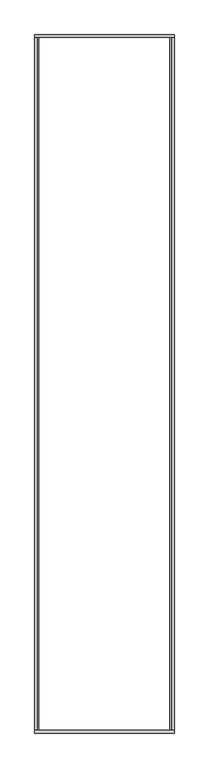
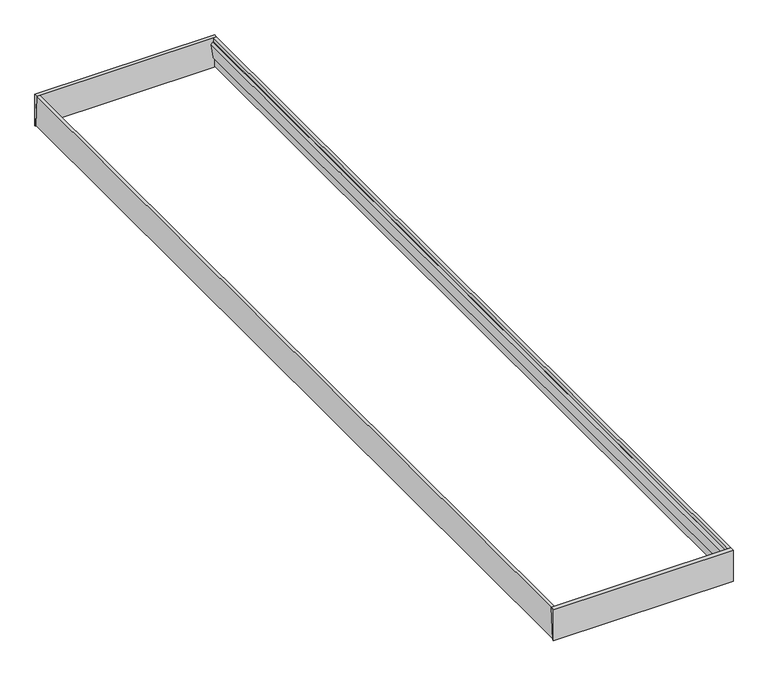
"""IFC4 building model written with IfcOpenShell, lengths in millimetres: beam geometry."""

from ifc_helpers import new_model, si_unit, frame, origin, place, context, project, spatial, polyline, outline, extrude, source, transform, mapped, element, save


def beam_56ae7348(model_context):
    return source(origin(), model_context, "Body", "SweptSolid", [
        extrude(outline(polyline([(-5965.0, 220.0), (-5980.0, 0.0), (-5990.0, 0.0), (-5990.0, 220.0), (-5965.0, 220.0)])), frame((5.0, 0.0, 0.0), z_axis=(1.0, 0.0, 0.0), x_axis=(0.0, 1.0, 0.0)), (0.0, 0.0, 1.0), 1200.0),
        extrude(outline(polyline([(-10.0, 220.0), (10.0, 220.0), (10.0, 0.0), (0.0, 0.0), (-10.0, 220.0)])), frame((5.0, 0.0, 0.0), z_axis=(1.0, 0.0, 0.0), x_axis=(0.0, 1.0, 0.0)), (0.0, 0.0, 1.0), 1200.0),
        extrude(outline(polyline([(71.0129189, 1195.4251599), (6.9651578, 1200.0), (6.9651578, 1205.0), (220.0, 1205.0), (220.0, 1184.7832256), (190.4202344, 1186.896066), (190.2064933, 1183.9036899), (177.1682831, 1170.0), (74.1450488, 1187.1810542), (70.5114493, 1192.4533359), (71.0129189, 1195.4251599)])), frame((0.0, -5980.0, 0.0), z_axis=(0.0, 1.0, 0.0), x_axis=(0.0, 0.0, 1.0)), (0.0, 0.0, 1.0), 5980.0),
        extrude(outline(polyline([(71.0129189, 14.371614), (70.5114493, 17.3434381), (74.1450488, 22.6157198), (177.1682831, 40.0), (190.2064933, 25.8930841), (190.4202344, 22.900708), (220.0, 25.0135484), (220.0, 5.0), (7.0, 5.0), (7.0, 10.0), (71.0129189, 14.371614)])), frame((0.0, -5980.0, 0.0), z_axis=(0.0, 1.0, 0.0), x_axis=(0.0, 0.0, 1.0)), (0.0, 0.0, 1.0), 5980.0),
    ])


if __name__ == "__main__":
    model = new_model("IFC4")
    model_context = context("Model", 3, world=origin())
    ifc_project = project(units=[si_unit("LENGTHUNIT", "METRE", prefix="MILLI")], contexts=[model_context])
    site = spatial("IfcSite", under=ifc_project)
    building = spatial("IfcBuilding", under=site)
    placement = place(None, origin())
    beam_shape = beam_56ae7348(model_context)
    element("IfcBeam", 1, at=placement, inside=building, context=model_context, shape_type="MappedRepresentation", body=[
        mapped(beam_shape, transform((0.0, 0.0, 0.0), x_axis=(1.0, 0.0, 0.0), y_axis=(0.0, 1.0, 0.0), z_axis=(0.0, 0.0, 1.0))),
    ])
    save(model, "model.ifc")
